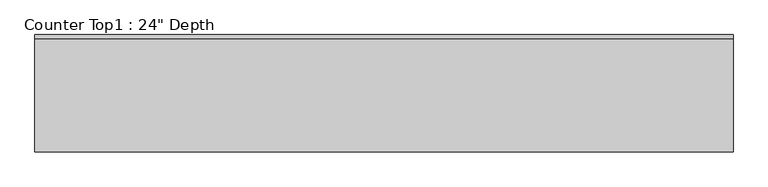
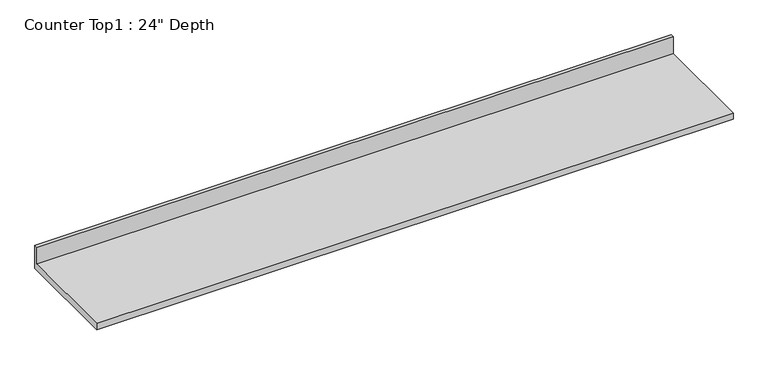
"""IFC4 building model written with IfcOpenShell, lengths in millimetres: furniture geometry."""

from ifc_helpers import new_model, si_unit, frame, origin, place, context, project, spatial, polyline, outline, extrude, source, transform, mapped, element, save


def furniture_aecbcd39(model_context):
    return source(origin(), model_context, "Body", "SweptSolid", [
        extrude(outline(polyline([(0.0, 1016.0), (0.0, 876.3), (-609.6, 876.3), (-609.6, 914.4), (-19.05, 914.4), (-19.05, 1016.0), (0.0, 1016.0)])), frame((-1200.4622951, 0.0, 0.0), z_axis=(1.0, 0.0, 0.0), x_axis=(0.0, 1.0, 0.0)), (0.0, 0.0, 1.0), 3632.2),
    ])


if __name__ == "__main__":
    model = new_model("IFC4")
    model_context = context("Model", 3, world=origin())
    ifc_project = project(units=[si_unit("LENGTHUNIT", "METRE", prefix="MILLI")], contexts=[model_context])
    site = spatial("IfcSite", under=ifc_project)
    building = spatial("IfcBuilding", under=site)
    placement = place(None, origin())
    furniture_shape = furniture_aecbcd39(model_context)
    element("IfcFurniture", 1, ObjectType="Counter Top1 : 24\" Depth", at=placement, inside=building, context=model_context, shape_type="MappedRepresentation", body=[
        mapped(furniture_shape, transform((0.0, 0.0, 0.0), x_axis=(1.0, 0.0, 0.0), y_axis=(0.0, 1.0, 0.0), z_axis=(0.0, 0.0, 1.0))),
    ])
    save(model, "model.ifc")
